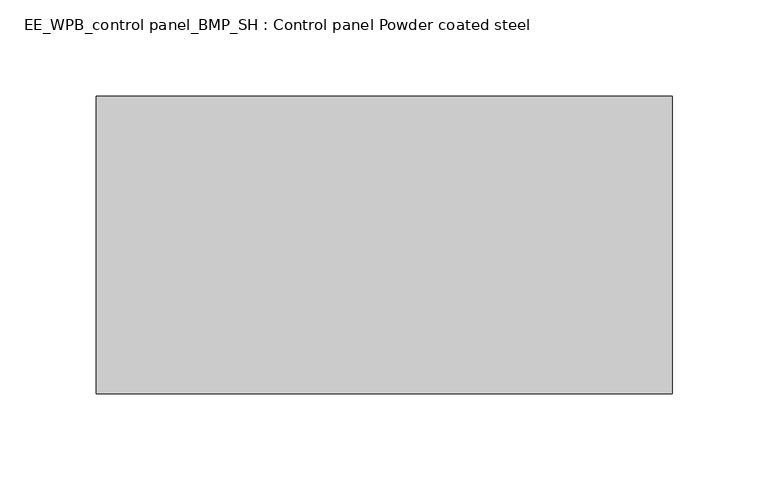
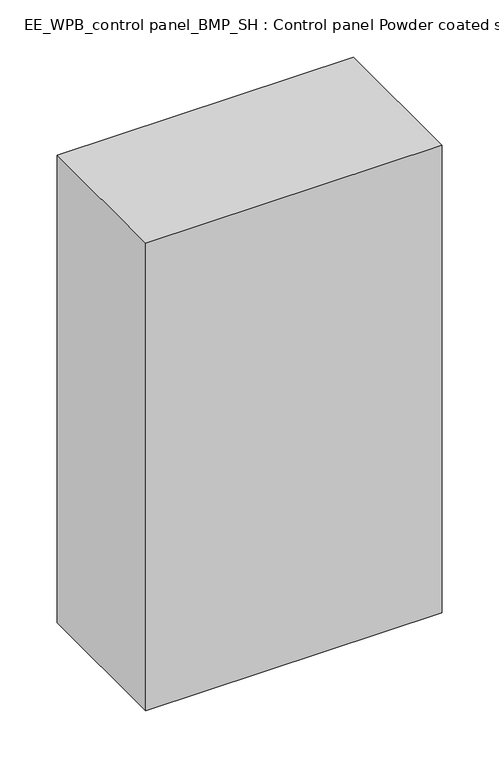
"""IFC4 building model written with IfcOpenShell, lengths in millimetres: electric distribution board geometry, EE_WPB_control panel_BMP_SH : Control panel Powder coated steel."""

from ifc_helpers import new_model, si_unit, origin, origin_with_axes, place, context, project, spatial, polyline, outline, extrude, source, transform, mapped, element, save


def ee_wpb_control_panel_bmp_sh_control_panel_powder_coated_2337cf2d(model_context):
    return source(origin(), model_context, "Body", "SweptSolid", [
        extrude(outline(polyline([(-150.0, 0.0), (150.0, 0.0), (150.0, -155.0), (-150.0, -155.0), (-150.0, 0.0)])), origin_with_axes(), (0.0, 0.0, 1.0), 500.0),
    ])


if __name__ == "__main__":
    model = new_model("IFC4")
    model_context = context("Model", 3, world=origin())
    ifc_project = project(units=[si_unit("LENGTHUNIT", "METRE", prefix="MILLI")], contexts=[model_context])
    site = spatial("IfcSite", under=ifc_project)
    building = spatial("IfcBuilding", under=site)
    placement = place(None, origin())
    ee_wpb_control_panel_bmp_sh_control_panel_powder_coated_shape = ee_wpb_control_panel_bmp_sh_control_panel_powder_coated_2337cf2d(model_context)
    element("IfcElectricDistributionBoard", 1, ObjectType="EE_WPB_control panel_BMP_SH : Control panel Powder coated steel", at=placement, inside=building, context=model_context, shape_type="MappedRepresentation", body=[
        mapped(ee_wpb_control_panel_bmp_sh_control_panel_powder_coated_shape, transform((0.0, 0.0, 0.0), x_axis=(1.0, 0.0, 0.0), y_axis=(0.0, 1.0, 0.0), z_axis=(0.0, 0.0, 1.0))),
    ])
    save(model, "model.ifc")
